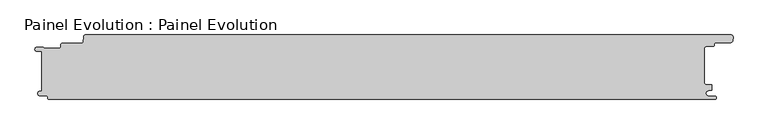
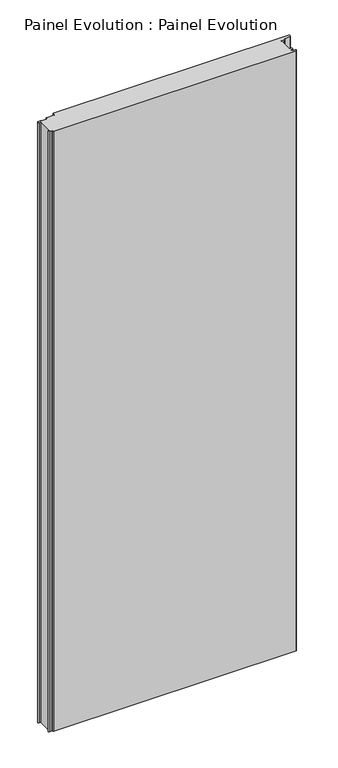
"""IFC4 building model written with IfcOpenShell, lengths in millimetres: proxy geometry, Painel Evolution : Painel Evolution."""

from ifc_helpers import new_model, si_unit, point, frame_2d, origin, origin_with_axes, place, context, project, spatial, polyline, circle_curve, trimmed, segment, composite_curve, outline, extrude, source, transform, mapped, element, save


def painel_evolution_painel_evolution_ee236a29(model_context):
    return source(origin(), model_context, "Body", "SweptSolid", [
        extrude(outline(composite_curve([segment(polyline([(511.5911111, -36.2981958), (508.1893843, -36.2981958)]), True, "CONTINUOUS"), segment(trimmed(circle_curve(frame_2d((508.1893843, -40.6490979)), 4.3509021), [point((508.1893843, -36.2981958))], [point((508.1893843, -45.0))], True, "CARTESIAN"), True, "CONTINUOUS"), segment(polyline([(508.1893843, -45.0), (517.4609375, -45.0)]), True, "CONTINUOUS"), segment(trimmed(circle_curve(frame_2d((517.4609375, -47.5)), 2.5), [point((517.4609375, -45.0))], [point((517.4609375, -50.0))], False, "CARTESIAN"), True, "CONTINUOUS"), segment(polyline([(517.4609375, -50.0), (-516.0390625, -50.0)]), True, "CONTINUOUS"), segment(trimmed(circle_curve(frame_2d((-516.0390625, -48.0)), 2.0), [point((-516.0390625, -50.0))], [point((-518.0390625, -48.0))], False, "CARTESIAN"), True, "CONTINUOUS"), segment(polyline([(-518.0390625, -48.0), (-518.0390625, -46.6)]), True, "CONTINUOUS"), segment(trimmed(circle_curve(frame_2d((-520.0390625, -46.6)), 2.0), [point((-518.0390625, -46.6))], [point((-520.0390625, -44.6))], True, "CARTESIAN"), True, "CONTINUOUS"), segment(polyline([(-520.0390625, -44.6), (-529.8390625, -44.6)]), True, "CONTINUOUS"), segment(trimmed(circle_curve(frame_2d((-529.8390625, -41.0)), 3.6), [point((-529.8390625, -44.6))], [point((-530.6488863, -37.4922678))], False, "CARTESIAN"), True, "CONTINUOUS"), segment(polyline([(-530.6488863, -37.4922678), (-527.1155186, -37.4922678), (-527.1155186, 24.3181366), (-534.9577702, 24.3181366)]), True, "CONTINUOUS"), segment(trimmed(circle_curve(frame_2d((-534.7667193, 27.5812398)), 3.2686913), [point((-534.9577702, 24.3181366))], [point((-534.7667193, 30.8499312))], False, "CARTESIAN"), True, "CONTINUOUS"), segment(polyline([(-534.7667193, 30.8499312), (-526.4215824, 30.8499312)]), True, "CONTINUOUS"), segment(trimmed(circle_curve(frame_2d((-526.3266399, 28.4518098)), 2.4), [point((-526.4215824, 30.8499312))], [point((-525.2140128, 30.5783236))], False, "CARTESIAN"), True, "CONTINUOUS"), segment(trimmed(circle_curve(frame_2d((-526.7593331, 27.7294942)), 3.2409634), [point((-525.2140128, 30.5783236))], [point((-524.0123453, 29.4493494))], False, "CARTESIAN"), True, "CONTINUOUS"), segment(trimmed(circle_curve(frame_2d((-522.8062687, 30.5007195)), 1.6), [point((-524.0123453, 29.4493494))], [point((-522.8062687, 28.9007195))], True, "CARTESIAN"), True, "CONTINUOUS"), segment(polyline([(-522.8062687, 28.9007195), (-500.7687939, 28.9007195)]), True, "CONTINUOUS"), segment(trimmed(circle_curve(frame_2d((-500.7687939, 31.9007195)), 3.0), [point((-500.7687939, 28.9007195))], [point((-497.7687939, 31.9007195))], True, "CARTESIAN"), True, "CONTINUOUS"), segment(polyline([(-497.7687939, 31.9007195), (-497.7687939, 34.19128)]), True, "CONTINUOUS"), segment(trimmed(circle_curve(frame_2d((-494.9687938, 34.19128)), 2.8), [point((-497.7687939, 34.19128))], [point((-494.9687938, 36.99128))], False, "CARTESIAN"), True, "CONTINUOUS"), segment(polyline([(-494.9687938, 36.99128), (-464.9818684, 36.99128)]), True, "CONTINUOUS"), segment(trimmed(circle_curve(frame_2d((-464.9740222, 38.9912647)), 2.0), [point((-464.9818684, 36.99128))], [point((-463.3872648, 37.7738078))], True, "CARTESIAN"), True, "CONTINUOUS"), segment(trimmed(circle_curve(frame_2d((-464.9959051, 39.0080546)), 2.027582), [point((-463.3872648, 37.7738078))], [point((-462.9760411, 38.8313116))], True, "CARTESIAN"), True, "CONTINUOUS"), segment(polyline([(-462.9760411, 38.8313116), (-462.2295384, 47.3625382)]), True, "CONTINUOUS"), segment(trimmed(circle_curve(frame_2d((-459.3507103, 47.1106339)), 2.8898282), [point((-462.2295384, 47.3625382))], [point((-459.4023864, 50.0))], False, "CARTESIAN"), True, "CONTINUOUS"), segment(polyline([(-459.4023864, 50.0), (542.6236695, 50.0)]), True, "CONTINUOUS"), segment(trimmed(circle_curve(frame_2d((542.5514013, 46.4373369)), 3.563396), [point((542.6236695, 50.0))], [point((546.1021208, 46.1370337))], False, "CARTESIAN"), True, "CONTINUOUS"), segment(polyline([(546.1021208, 46.1370337), (545.6606899, 41.0940152)]), True, "CONTINUOUS"), segment(trimmed(circle_curve(frame_2d((542.0114544, 41.7048175)), 3.6999999), [point((545.6606899, 41.0940152))], [point((542.0114544, 38.0048176))], False, "CARTESIAN"), True, "CONTINUOUS"), segment(polyline([(542.0114544, 38.0048176), (518.620698, 38.0048176)]), True, "CONTINUOUS"), segment(trimmed(circle_curve(frame_2d((518.620698, 36.4048176)), 1.6), [point((518.620698, 38.0048176))], [point((517.020698, 36.4048176))], True, "CARTESIAN"), True, "CONTINUOUS"), segment(polyline([(517.020698, 36.4048176), (517.020698, 34.4048179)]), True, "CONTINUOUS"), segment(trimmed(circle_curve(frame_2d((514.620698, 34.4048179)), 2.4), [point((517.020698, 34.4048179))], [point((514.620698, 32.0048179))], False, "CARTESIAN"), True, "CONTINUOUS"), segment(polyline([(514.620698, 32.0048179), (503.9512072, 32.0048179)]), True, "CONTINUOUS"), segment(trimmed(circle_curve(frame_2d((503.9512072, 29.6548179)), 2.3499999), [point((503.9512072, 32.0048179))], [point((501.6012073, 29.6548179))], True, "CARTESIAN"), True, "CONTINUOUS"), segment(polyline([(501.6012073, 29.6548179), (501.6012073, -24.7482365)]), True, "CONTINUOUS"), segment(trimmed(circle_curve(frame_2d((503.9512072, -24.7482365)), 2.3499999), [point((501.6012073, -24.7482365))], [point((503.9512072, -27.0982364))], True, "CARTESIAN"), True, "CONTINUOUS"), segment(polyline([(503.9512072, -27.0982364), (511.8673147, -27.0982364)]), True, "CONTINUOUS"), segment(trimmed(circle_curve(frame_2d((511.8673147, -28.1436506)), 1.0454142), [point((511.8673147, -27.0982364))], [point((512.912729, -28.1436506))], False, "CARTESIAN"), True, "CONTINUOUS"), segment(polyline([(512.912729, -28.1436506), (512.912729, -34.7642596)]), True, "CONTINUOUS"), segment(trimmed(circle_curve(frame_2d((511.313274, -34.7225035)), 1.5999999), [point((512.912729, -34.7642596))], [point((511.5911111, -36.2981958))], False, "CARTESIAN"), True, "CONTINUOUS")], self_intersect=False)), origin_with_axes(), (0.0, 0.0, 1.0), 2700.0),
    ])


if __name__ == "__main__":
    model = new_model("IFC4")
    model_context = context("Model", 3, world=origin())
    ifc_project = project(units=[si_unit("LENGTHUNIT", "METRE", prefix="MILLI")], contexts=[model_context])
    site = spatial("IfcSite", under=ifc_project)
    building = spatial("IfcBuilding", under=site)
    placement = place(None, origin())
    painel_evolution_painel_evolution_shape = painel_evolution_painel_evolution_ee236a29(model_context)
    element("IfcBuildingElementProxy", 1, Name="Painel Evolution : Painel Evolution", ObjectType="Painel Evolution : Painel Evolution", at=placement, inside=building, context=model_context, shape_type="MappedRepresentation", body=[
        mapped(painel_evolution_painel_evolution_shape, transform((0.0, 0.0, 0.0), x_axis=(1.0, 0.0, 0.0), y_axis=(0.0, 1.0, 0.0), z_axis=(0.0, 0.0, 1.0))),
    ])
    save(model, "model.ifc")
